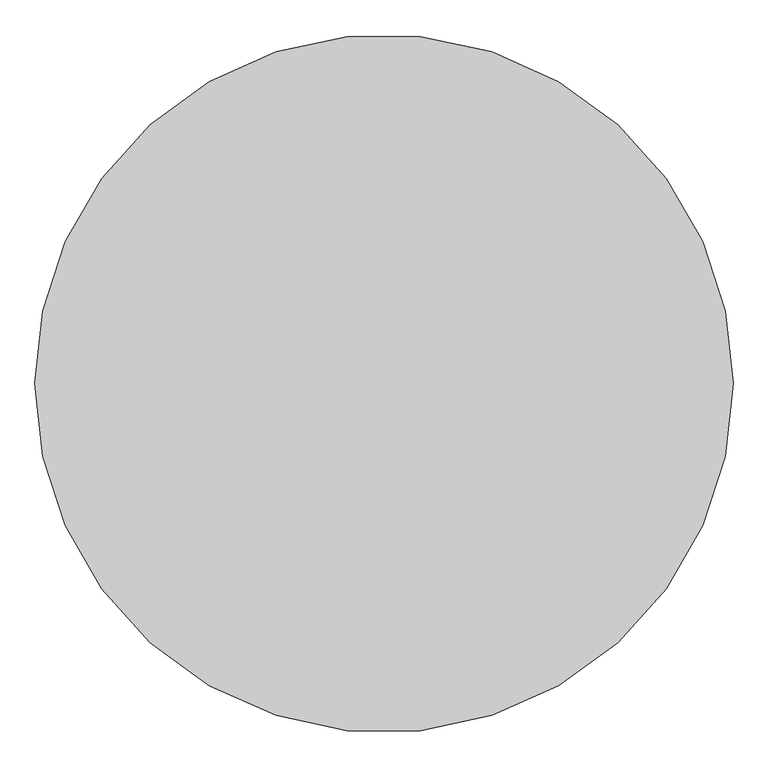
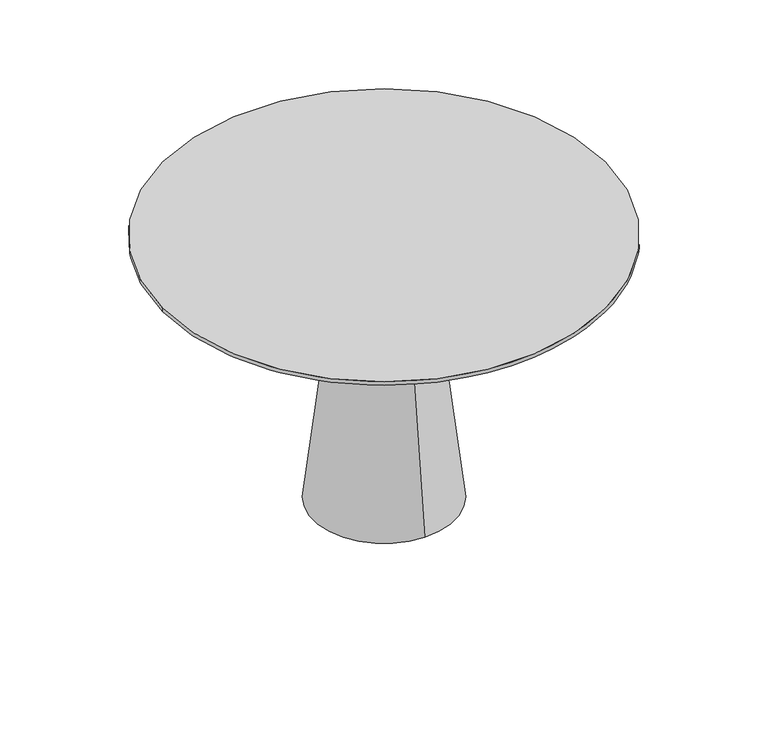
"""IFC4 building model written with IfcOpenShell, lengths in millimetres: furniture geometry."""

from ifc_helpers import new_model, si_unit, point, frame, frame_2d, origin, place, context, project, spatial, polyline, circle_curve, trimmed, segment, composite_curve, outline, extrude, source, transform, mapped, element, save
from ifc_brep_helpers import plane_surface, cylinder_surface, revolved_surface, advanced_brep


def furniture_81c9695b(model_context):
    return source(origin(), model_context, "Body", "SolidModel", [
        extrude(outline(composite_curve([segment(polyline([(-271.058137, 225.7246829), (-134.902877, 132.3450536)]), True, "CONTINUOUS"), segment(trimmed(circle_curve(frame_2d((31.9985507, 375.7012058)), 295.0903309), [point((-134.902877, 132.3450536))], [point((159.3004468, 109.4822534))], True, "CARTESIAN"), True, "CONTINUOUS"), segment(polyline([(159.3004468, 109.4822534), (304.3691364, 178.8519173)]), True, "CONTINUOUS"), segment(trimmed(circle_curve(frame_2d((316.0449699, 145.7225177)), 35.1266595), [point((304.3691364, 178.8519173))], [point((334.5024092, 115.8359799))], False, "CARTESIAN"), True, "CONTINUOUS"), segment(polyline([(334.5024092, 115.8359799), (183.3886311, 61.154492)]), True, "CONTINUOUS"), segment(trimmed(circle_curve(frame_2d((311.6854551, -195.3371747)), 286.7892085), [point((183.3886311, 61.154492))], [point((32.7243566, -128.788278))], True, "CARTESIAN"), True, "CONTINUOUS"), segment(polyline([(32.7243566, -128.788278), (14.7777346, -359.7291864)]), True, "CONTINUOUS"), segment(trimmed(circle_curve(frame_2d((-24.0397356, -352.8713492)), 39.4185987), [point((14.7777346, -359.7291864))], [point((-63.4465739, -353.8341677))], False, "CARTESIAN"), True, "CONTINUOUS"), segment(polyline([(-63.4465739, -353.8341677), (-50.6527711, -189.0467564)]), True, "CONTINUOUS"), segment(trimmed(circle_curve(frame_2d((-344.920142, -166.1789791)), 295.1545711), [point((-50.6527711, -189.0467564))], [point((-174.4096432, 74.7409051))], True, "CARTESIAN"), True, "CONTINUOUS"), segment(polyline([(-174.4096432, 74.7409051), (-310.5649032, 168.1205344)]), True, "CONTINUOUS"), segment(trimmed(circle_curve(frame_2d((-287.7119183, 194.7968026)), 35.1266595), [point((-310.5649032, 168.1205344))], [point((-271.058137, 225.7246829))], False, "CARTESIAN"), True, "CONTINUOUS")], self_intersect=False)), frame((0.0, 0.0, 698.5), z_axis=(0.0, 0.0, 1.0), x_axis=(1.0, 0.0, 0.0)), (0.0, 0.0, 1.0), 19.05),
        advanced_brep(
        [(-103.785033, -4.0299408, 566.7753624), (103.785033, -4.0299408, 566.7753624), (104.9851009, -4.0299408, 565.7683859), (-104.9851009, -4.0299408, 565.7683859), (-70.0022257, -4.0299408, 566.7753624), (70.0022257, -4.0299408, 566.7753624), (-70.0022257, -4.0299408, 698.5), (70.0022257, -4.0299408, 698.5), (0.0, -4.0299408, 698.5), (-104.9851009, -4.0299408, 552.0171809), (104.9851009, -4.0299408, 552.0171809), (0.0, -4.0299408, 552.0171809)],
        [
            (0, 1, circle_curve(frame((0.0, -4.0299408, 566.7753624), z_axis=(0.0, 0.0, -1.0), x_axis=(1.0, 0.0, 0.0)), 103.785033)),
            (1, 2),
            (2, 3, circle_curve(frame((0.0, -4.0299408, 565.7683859), z_axis=(0.0, 0.0, 1.0), x_axis=(1.0, 0.0, 0.0)), 104.9851009)),
            (3, 0),
            (1, 0, circle_curve(frame((0.0, -4.0299408, 566.7753624), z_axis=(0.0, 0.0, -1.0), x_axis=(1.0, 0.0, 0.0)), 103.785033)),
            (3, 2, circle_curve(frame((0.0, -4.0299408, 565.7683859), z_axis=(0.0, 0.0, 1.0), x_axis=(1.0, 0.0, 0.0)), 104.9851009)),
            (4, 5, circle_curve(frame((0.0, -4.0299408, 566.7753624), z_axis=(0.0, 0.0, -1.0), x_axis=(1.0, 0.0, 0.0)), 70.0022257)),
            (5, 1),
            (0, 4),
            (5, 4, circle_curve(frame((0.0, -4.0299408, 566.7753624), z_axis=(0.0, 0.0, -1.0), x_axis=(1.0, 0.0, 0.0)), 70.0022257)),
            (6, 7, circle_curve(frame((0.0, -4.0299408, 698.5), z_axis=(0.0, 0.0, -1.0), x_axis=(1.0, 0.0, 0.0)), 70.0022257)),
            (7, 5),
            (4, 6),
            (7, 6, circle_curve(frame((0.0, -4.0299408, 698.5), z_axis=(0.0, 0.0, -1.0), x_axis=(1.0, 0.0, 0.0)), 70.0022257)),
            (8, 7),
            (6, 8),
            (9, 10, circle_curve(frame((0.0, -4.0299408, 552.0171809), z_axis=(0.0, 0.0, -1.0), x_axis=(1.0, 0.0, 0.0)), 104.9851009)),
            (10, 11),
            (11, 9),
            (10, 9, circle_curve(frame((0.0, -4.0299408, 552.0171809), z_axis=(0.0, 0.0, -1.0), x_axis=(1.0, 0.0, 0.0)), 104.9851009)),
            (2, 10),
            (9, 3),
        ],
        [
            revolved_surface(polyline([(104.9851009, -4.0299408, 565.7683859), (103.785033, -4.0299408, 566.7753624)]), (0.0, -4.0299408, 698.7581749), (0.0, 0.0, 1.0)),
            plane_surface(frame((0.0, -4.0299408, 566.7753624), z_axis=(0.0, 0.0, 1.0), x_axis=(1.0, 0.0, 0.0))),
            cylinder_surface(frame((0.0, -4.0299408, 698.7581749), z_axis=(0.0, 0.0, 1.0), x_axis=(1.0, 0.0, 0.0)), 70.0022257),
            plane_surface(frame((0.0, -4.0299408, 698.5), z_axis=(0.0, 0.0, 1.0), x_axis=(1.0, 0.0, 0.0))),
            plane_surface(frame((0.0, -4.0299408, 552.0171809), z_axis=(0.0, 0.0, -1.0), x_axis=(1.0, 0.0, 0.0))),
            cylinder_surface(frame((0.0, -4.0299408, 698.7581749), z_axis=(0.0, 0.0, 1.0), x_axis=(1.0, 0.0, 0.0)), 104.9851009),
        ],
        [
            (0, [[1, 2, 3, 4]]),
            (0, [[5, -4, 6, -2]]),
            (1, [[7, 8, -1, 9]]),
            (1, [[10, -9, -5, -8]]),
            (2, [[11, 12, -7, 13]]),
            (2, [[14, -13, -10, -12]]),
            (3, [[15, -11, 16]]),
            (3, [[-16, -14, -15]]),
            (4, [[17, 18, 19]]),
            (4, [[20, -19, -18]]),
            (5, [[-3, 21, -17, 22]]),
            (5, [[-6, -22, -20, -21]]),
        ],
    ),
        advanced_brep(
        [(0.0, -4.0299408, 552.0171809), (0.0, 122.5690456, 552.0171809), (0.0, -130.6289271, 552.0171809), (0.0, -195.8551875, 0.0), (0.0, 187.795306, 0.0), (0.0, -4.0299408, 0.0)],
        [
            (0, 1),
            (1, 2, circle_curve(frame((0.0, -4.0299408, 552.0171809), z_axis=(0.0, 0.0, 1.0), x_axis=(0.0, 1.0, 0.0)), 126.5989864)),
            (2, 0),
            (2, 1, circle_curve(frame((0.0, -4.0299408, 552.0171809), z_axis=(0.0, 0.0, 1.0), x_axis=(0.0, 1.0, 0.0)), 126.5989864)),
            (3, 4, circle_curve(frame((0.0, -4.0299408, 0.0), z_axis=(0.0, 0.0, -1.0), x_axis=(0.0, 1.0, 0.0)), 191.8252468)),
            (4, 5),
            (5, 3),
            (4, 3, circle_curve(frame((0.0, -4.0299408, 0.0), z_axis=(0.0, 0.0, -1.0), x_axis=(0.0, 1.0, 0.0)), 191.8252468)),
            (1, 4),
            (3, 2),
        ],
        [
            plane_surface(frame((0.0, -4.0299408, 552.0171809), z_axis=(0.0, 0.0, 1.0), x_axis=(0.0, 1.0, 0.0))),
            plane_surface(frame((0.0, -4.0299408, 0.0), z_axis=(0.0, 0.0, -1.0), x_axis=(0.0, 1.0, 0.0))),
            revolved_surface(polyline([(0.0, 187.795306, 0.0), (0.0, 122.5690456, 552.0171809)]), (0.0, -4.0299408, 602.8171809), (0.0, 0.0, 1.0)),
        ],
        [
            (0, [[1, 2, 3]]),
            (0, [[-3, 4, -1]]),
            (1, [[5, 6, 7]]),
            (1, [[8, -7, -6]]),
            (2, [[-2, 9, -5, 10]]),
            (2, [[-4, -10, -8, -9]]),
        ],
    ),
        advanced_brep(
        [(-600.075, -4.0299408, 749.3), (600.075, -4.0299408, 749.3), (565.15, -4.0299408, 717.55), (-565.15, -4.0299408, 717.55), (600.075, -4.0299408, 739.1796875), (-600.075, -4.0299408, 739.1796875)],
        [
            (0, 1, circle_curve(frame((0.0, -4.0299408, 749.3), z_axis=(0.0, 0.0, 1.0), x_axis=(1.0, 0.0, 0.0)), 600.075)),
            (1, 0, circle_curve(frame((0.0, -4.0299408, 749.3), z_axis=(0.0, 0.0, 1.0), x_axis=(1.0, 0.0, 0.0)), 600.075)),
            (2, 3, circle_curve(frame((0.0, -4.0299408, 717.55), z_axis=(0.0, -2.8091046308683154e-12, -1.0), x_axis=(1.0, 0.0, 0.0)), 565.15)),
            (3, 2, circle_curve(frame((0.0, -4.0299408, 717.55), z_axis=(0.0, -2.8091046308683154e-12, -1.0), x_axis=(-1.0, 0.0, 0.0)), 565.15)),
            (2, 4),
            (4, 5, circle_curve(frame((0.0, -4.0299408, 739.1796875), z_axis=(0.0, -2.8091046308683154e-12, -1.0), x_axis=(1.0, 0.0, 0.0)), 600.075)),
            (5, 3),
            (5, 4, circle_curve(frame((0.0, -4.0299408, 739.1796875), z_axis=(0.0, -2.8091046308683154e-12, -1.0), x_axis=(-1.0, 0.0, 0.0)), 600.075)),
            (0, 5),
            (4, 1),
        ],
        [
            plane_surface(frame((600.075, -4.0299408, 749.3), z_axis=(0.0, 0.0, 1.0), x_axis=(0.0, 1.0, 0.0))),
            plane_surface(frame((0.0, -4.0299408, 717.55), z_axis=(0.0, 0.0, -1.0), x_axis=(0.0, 1.0, 0.0))),
            revolved_surface(polyline([(565.1500000042716, -4.0299408, 717.55), (600.075, -4.0299408, 739.1796875)]), (0.0, -4.0299408, 367.5423295), (0.0, 2.8091046308683154e-12, 1.0)),
            revolved_surface(polyline([(-565.1500000042716, -4.0299408, 717.55), (-600.075, -4.0299408, 739.1796875)]), (0.0, -4.0299408, 367.5423295), (0.0, 2.8091046308683154e-12, 1.0)),
            cylinder_surface(frame((0.0, -4.0299408, 739.1796875), z_axis=(0.0, 0.0, 1.0), x_axis=(1.0, 0.0, 0.0)), 600.075),
        ],
        [
            (0, [[1, 2]]),
            (1, [[3, 4]]),
            (2, [[-3, 5, 6, 7]]),
            (3, [[-4, -7, 8, -5]]),
            (4, [[-1, 9, -6, 10]]),
            (4, [[-2, -10, -8, -9]]),
        ],
    ),
    ])


if __name__ == "__main__":
    model = new_model("IFC4")
    model_context = context("Model", 3, world=origin())
    ifc_project = project(units=[si_unit("LENGTHUNIT", "METRE", prefix="MILLI")], contexts=[model_context])
    site = spatial("IfcSite", under=ifc_project)
    building = spatial("IfcBuilding", under=site)
    placement = place(None, origin())
    furniture_shape = furniture_81c9695b(model_context)
    element("IfcFurniture", 1, at=placement, inside=building, context=model_context, shape_type="MappedRepresentation", body=[
        mapped(furniture_shape, transform((0.0, 0.0, 0.0), x_axis=(1.0, 0.0, 0.0), y_axis=(0.0, 1.0, 0.0), z_axis=(0.0, 0.0, 1.0))),
    ])
    save(model, "model.ifc")
